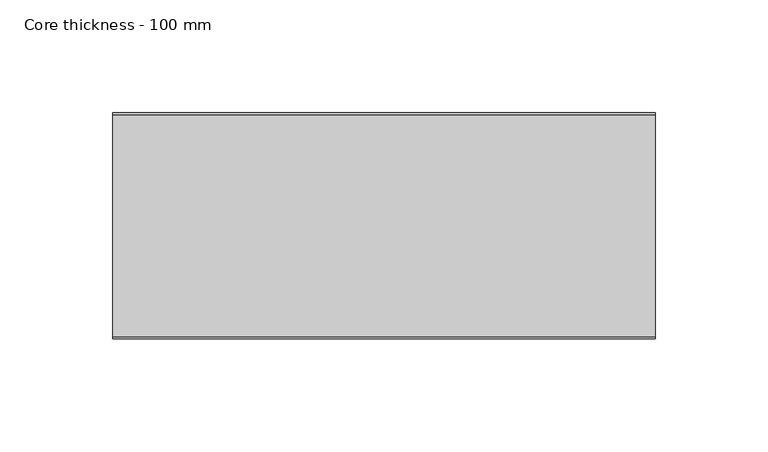
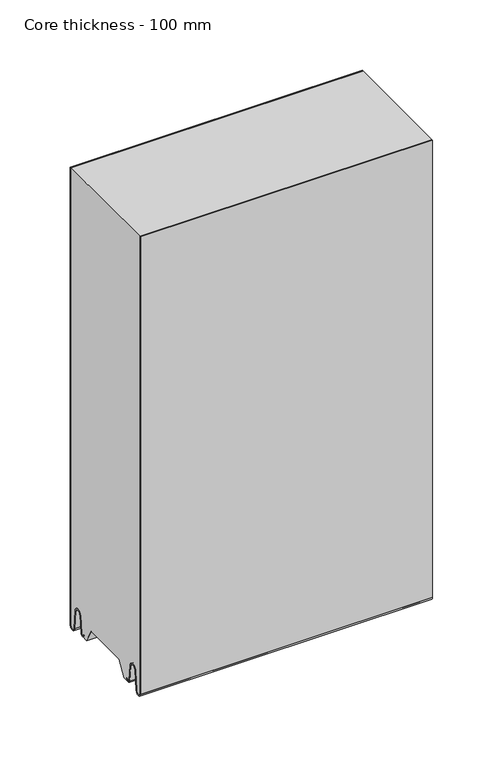
"""IFC4 building model written with IfcOpenShell, lengths in millimetres: plate geometry, Core thickness - 100 mm."""

from ifc_helpers import new_model, si_unit, frame, origin, place, context, project, spatial, polyline, circle_curve, source, transform, mapped, element, save
from ifc_brep_helpers import plane_surface, cylinder_surface, revolved_surface, advanced_brep


def core_thickness_100_mm_86f508b5(model_context):
    return source(origin(), model_context, "Body", "AdvancedBrep", [
        advanced_brep(
        [(119.9999998, -99.9996949, 2.9900682), (119.9999998, -93.81449, 2.6875612), (119.9999998, -92.197116, 19.1828169), (119.9999998, -89.1776715, 21.8898782), (119.9999998, -86.1582271, 19.1828169), (119.9999998, -84.7725998, 5.0510966), (119.9999998, -80.3830995, 5.265779), (119.9999998, -81.1830995, 5.265779), (119.9999998, -83.9764178, 5.1291629), (119.9999998, -85.3620451, 19.2608832), (119.9999998, -89.1776715, 22.6899182), (119.9999998, -92.9932979, 19.2608832), (119.9999998, -94.6106719, 2.7656275), (119.9999998, -99.1996949, 2.9900682), (119.9999998, -99.2, 400.0), (119.9999998, -99.9996949, 400.0), (-119.9999998, -99.1996949, 2.9900682), (-119.9999998, -94.6106719, 2.7656275), (-119.9999998, -92.9932979, 19.2608832), (-119.9999998, -89.1776715, 22.6899182), (-119.9999998, -85.3620451, 19.2608832), (-119.9999998, -83.9764178, 5.1291629), (-119.9999998, -81.1830995, 5.265779), (-119.9999998, -80.3830995, 5.265779), (-119.9999998, -84.7725998, 5.0510966), (-119.9999998, -86.1582271, 19.1828169), (-119.9999998, -89.1776715, 21.8898782), (-119.9999998, -92.197116, 19.1828169), (-119.9999998, -93.81449, 2.6875612), (-119.9999998, -99.9996949, 2.9900682), (-119.9999998, -99.9996949, 400.0), (-119.9999998, -99.2, 400.0)],
        [
            (0, 1, circle_curve(frame((119.9999998, -96.8996949, 2.9900682), z_axis=(1.0, 0.0, 0.0), x_axis=(0.0, 0.0, -1.0)), 3.1)),
            (1, 2),
            (2, 3, circle_curve(frame((119.9999998, -89.2114338, 18.8900682), z_axis=(-1.0, 0.0, 0.0), x_axis=(0.0, 0.0, -1.0)), 3.0)),
            (3, 4, circle_curve(frame((119.9999998, -89.1439093, 18.8900682), z_axis=(-1.0, 0.0, 0.0), x_axis=(0.0, 0.0, -1.0)), 3.0)),
            (4, 5),
            (5, 6, circle_curve(frame((119.9999998, -82.5830995, 5.265779), z_axis=(1.0, 0.0, 0.0), x_axis=(0.0, 0.0, -1.0)), 2.2)),
            (6, 7),
            (7, 8, circle_curve(frame((119.9999998, -82.5830995, 5.265779), z_axis=(-1.0, 0.0, 0.0), x_axis=(0.0, 0.0, -1.0)), 1.4)),
            (8, 9),
            (9, 10, circle_curve(frame((119.9999998, -89.1439093, 18.8900682), z_axis=(1.0, 0.0, 0.0), x_axis=(0.0, 0.0, -1.0)), 3.8)),
            (10, 11, circle_curve(frame((119.9999998, -89.2114338, 18.8900682), z_axis=(1.0, 0.0, 0.0), x_axis=(0.0, 0.0, -1.0)), 3.8)),
            (11, 12),
            (12, 13, circle_curve(frame((119.9999998, -96.8996949, 2.9900682), z_axis=(-1.0, 0.0, 0.0), x_axis=(0.0, 0.0, -1.0)), 2.3)),
            (13, 14),
            (14, 15),
            (15, 0),
            (16, 17, circle_curve(frame((-119.9999998, -96.8996949, 2.9900682), z_axis=(1.0, 0.0, 0.0), x_axis=(0.0, 0.0, -1.0)), 2.3)),
            (17, 18),
            (18, 19, circle_curve(frame((-119.9999998, -89.2114338, 18.8900682), z_axis=(-1.0, 0.0, 0.0), x_axis=(0.0, 0.0, -1.0)), 3.8)),
            (19, 20, circle_curve(frame((-119.9999998, -89.1439093, 18.8900682), z_axis=(-1.0, 0.0, 0.0), x_axis=(0.0, 0.0, -1.0)), 3.8)),
            (20, 21),
            (21, 22, circle_curve(frame((-119.9999998, -82.5830995, 5.265779), z_axis=(1.0, 0.0, 0.0), x_axis=(0.0, 0.0, -1.0)), 1.4)),
            (22, 23),
            (23, 24, circle_curve(frame((-119.9999998, -82.5830995, 5.265779), z_axis=(-1.0, 0.0, 0.0), x_axis=(0.0, 0.0, -1.0)), 2.2)),
            (24, 25),
            (25, 26, circle_curve(frame((-119.9999998, -89.1439093, 18.8900682), z_axis=(1.0, 0.0, 0.0), x_axis=(0.0, 0.0, -1.0)), 3.0)),
            (26, 27, circle_curve(frame((-119.9999998, -89.2114338, 18.8900682), z_axis=(1.0, 0.0, 0.0), x_axis=(0.0, 0.0, -1.0)), 3.0)),
            (27, 28),
            (28, 29, circle_curve(frame((-119.9999998, -96.8996949, 2.9900682), z_axis=(-1.0, 0.0, 0.0), x_axis=(0.0, 0.0, -1.0)), 3.1)),
            (29, 30),
            (30, 31),
            (31, 16),
            (13, 16),
            (31, 14),
            (29, 0),
            (15, 30),
            (12, 17),
            (11, 18),
            (10, 19),
            (9, 20),
            (8, 21),
            (7, 22),
            (6, 23),
            (5, 24),
            (4, 25),
            (3, 26),
            (2, 27),
            (1, 28),
        ],
        [
            plane_surface(frame((119.9999998, -100.0, 0.0), z_axis=(1.0, 0.0, 0.0), x_axis=(0.0, 1.0, 0.0))),
            plane_surface(frame((-119.9999998, -100.0, 0.0), z_axis=(-1.0, 0.0, 0.0), x_axis=(0.0, 1.0, 0.0))),
            plane_surface(frame((119.9999998, -99.2, 2.9900682), z_axis=(0.0, 1.0, 0.0), x_axis=(-1.0, 0.0, 0.0))),
            plane_surface(frame((119.9999998, -99.9996949, 1093.8000005), z_axis=(0.0, -1.0, 0.0), x_axis=(-1.0, 0.0, 0.0))),
            revolved_surface(polyline([(-119.9999998, -96.8996949, 0.6900682000000002), (119.9999998, -96.8996949, 0.6900682000000002)]), (119.9999998, -96.8996949, 2.9900682), (-1.0, 0.0, 0.0)),
            plane_surface(frame((119.9999998, -92.9932979, 19.2608832), z_axis=(0.0, -0.9952273999818314, 0.09758289975914787), x_axis=(-1.0, 0.0, 0.0))),
            cylinder_surface(frame((119.9999998, -89.2114338, 18.8900682), z_axis=(1.0, 0.0, 0.0), x_axis=(0.0, 0.0, -1.0)), 3.8),
            cylinder_surface(frame((119.9999998, -89.1439093, 18.8900682), z_axis=(1.0, 0.0, 0.0), x_axis=(0.0, 0.0, -1.0)), 3.8),
            plane_surface(frame((119.9999998, -83.9764178, 5.1291629), z_axis=(0.0, 0.9952273999818297, 0.09758289975916531), x_axis=(-1.0, 0.0, 0.0))),
            revolved_surface(polyline([(-119.9999998, -82.5830995, 3.8657790000000003), (119.9999998, -82.5830995, 3.8657790000000003)]), (119.9999998, -82.5830995, 5.265779), (-1.0, 0.0, 0.0)),
            plane_surface(frame((119.9999998, -80.3830995, 5.265779), z_axis=(0.0, 0.0, 1.0), x_axis=(-1.0, 0.0, 0.0))),
            cylinder_surface(frame((119.9999998, -82.5830995, 5.265779), z_axis=(1.0, 0.0, 0.0), x_axis=(0.0, 0.0, -1.0)), 2.2),
            plane_surface(frame((119.9999998, -86.1582271, 19.1828169), z_axis=(0.0, -0.9952273999818296, -0.09758289975916527), x_axis=(-1.0, 0.0, 0.0))),
            revolved_surface(polyline([(-119.9999998, -89.1439093, 15.890068200000002), (119.9999998, -89.1439093, 15.890068200000002)]), (119.9999998, -89.1439093, 18.8900682), (-1.0, 0.0, 0.0)),
            revolved_surface(polyline([(-119.9999998, -89.2114338, 15.890068200000002), (119.9999998, -89.2114338, 15.890068200000002)]), (119.9999998, -89.2114338, 18.8900682), (-1.0, 0.0, 0.0)),
            plane_surface(frame((119.9999998, -93.81449, 2.6875612), z_axis=(0.0, 0.9952273999818314, -0.09758289975914787), x_axis=(-1.0, 0.0, 0.0))),
            cylinder_surface(frame((119.9999998, -96.8996949, 2.9900682), z_axis=(1.0, 0.0, 0.0), x_axis=(0.0, 0.0, -1.0)), 3.1),
            plane_surface(frame((-119.9999998, 134.0533409, 400.0), z_axis=(0.0, 0.0, 1.0), x_axis=(1.0, 0.0, 0.0))),
        ],
        [
            (0, [[1, 2, 3, 4, 5, 6, 7, 8, 9, 10, 11, 12, 13, 14, 15, 16]]),
            (1, [[17, 18, 19, 20, 21, 22, 23, 24, 25, 26, 27, 28, 29, 30, 31, 32]]),
            (2, [[33, -32, 34, -14]]),
            (3, [[35, -16, 36, -30]]),
            (4, [[-13, 37, -17, -33]]),
            (5, [[-12, 38, -18, -37]]),
            (6, [[-11, 39, -19, -38]]),
            (7, [[-10, 40, -20, -39]]),
            (8, [[-9, 41, -21, -40]]),
            (9, [[-8, 42, -22, -41]]),
            (10, [[-7, 43, -23, -42]]),
            (11, [[-6, 44, -24, -43]]),
            (12, [[-5, 45, -25, -44]]),
            (13, [[-4, 46, -26, -45]]),
            (14, [[-3, 47, -27, -46]]),
            (15, [[-2, 48, -28, -47]]),
            (16, [[-1, -35, -29, -48]]),
            (17, [[-15, -34, -31, -36]]),
        ],
    ),
        advanced_brep(
        [(119.9999998, -0.8003051, 2.9900682), (119.9999998, -5.3893281, 2.7656275), (119.9999998, -7.0067021, 19.2608832), (119.9999998, -10.8223285, 22.6899182), (119.9999998, -14.6379549, 19.2608832), (119.9999998, -16.0235822, 5.1291629), (119.9999998, -18.8169005, 5.265779), (119.9999998, -19.6169005, 5.265779), (119.9999998, -15.2274002, 5.0510966), (119.9999998, -13.8417729, 19.1828169), (119.9999998, -10.8223285, 21.8898782), (119.9999998, -7.802884, 19.1828169), (119.9999998, -6.18551, 2.6875612), (119.9999998, -0.0003051, 2.9900682), (119.9999998, -0.0003051, 400.0), (119.9999998, -0.8, 400.0), (-119.9999998, -0.0003051, 2.9900682), (-119.9999998, -6.18551, 2.6875612), (-119.9999998, -7.802884, 19.1828169), (-119.9999998, -10.8223285, 21.8898782), (-119.9999998, -13.8417729, 19.1828169), (-119.9999998, -15.2274002, 5.0510966), (-119.9999998, -19.6169005, 5.265779), (-119.9999998, -18.8169005, 5.265779), (-119.9999998, -16.0235822, 5.1291629), (-119.9999998, -14.6379549, 19.2608832), (-119.9999998, -10.8223285, 22.6899182), (-119.9999998, -7.0067021, 19.2608832), (-119.9999998, -5.3893281, 2.7656275), (-119.9999998, -0.8003051, 2.9900682), (-119.9999998, -0.8, 400.0), (-119.9999998, -0.0003051, 400.0)],
        [
            (0, 1, circle_curve(frame((119.9999998, -3.1003051, 2.9900682), z_axis=(-1.0, 0.0, 0.0), x_axis=(0.0, 0.0, -1.0)), 2.3)),
            (1, 2),
            (2, 3, circle_curve(frame((119.9999998, -10.7885662, 18.8900682), z_axis=(1.0, 0.0, 0.0), x_axis=(0.0, 0.0, -1.0)), 3.8)),
            (3, 4, circle_curve(frame((119.9999998, -10.8560907, 18.8900682), z_axis=(1.0, 0.0, 0.0), x_axis=(0.0, 0.0, -1.0)), 3.8)),
            (4, 5),
            (5, 6, circle_curve(frame((119.9999998, -17.4169005, 5.265779), z_axis=(-1.0, 0.0, 0.0), x_axis=(0.0, 0.0, -1.0)), 1.4)),
            (6, 7),
            (7, 8, circle_curve(frame((119.9999998, -17.4169005, 5.265779), z_axis=(1.0, 0.0, 0.0), x_axis=(0.0, 0.0, -1.0)), 2.2)),
            (8, 9),
            (9, 10, circle_curve(frame((119.9999998, -10.8560907, 18.8900682), z_axis=(-1.0, 0.0, 0.0), x_axis=(0.0, 0.0, -1.0)), 3.0)),
            (10, 11, circle_curve(frame((119.9999998, -10.7885662, 18.8900682), z_axis=(-1.0, 0.0, 0.0), x_axis=(0.0, 0.0, -1.0)), 3.0)),
            (11, 12),
            (12, 13, circle_curve(frame((119.9999998, -3.1003051, 2.9900682), z_axis=(1.0, 0.0, 0.0), x_axis=(0.0, 0.0, -1.0)), 3.1)),
            (13, 14),
            (14, 15),
            (15, 0),
            (16, 17, circle_curve(frame((-119.9999998, -3.1003051, 2.9900682), z_axis=(-1.0, 0.0, 0.0), x_axis=(0.0, 0.0, -1.0)), 3.1)),
            (17, 18),
            (18, 19, circle_curve(frame((-119.9999998, -10.7885662, 18.8900682), z_axis=(1.0, 0.0, 0.0), x_axis=(0.0, 0.0, -1.0)), 3.0)),
            (19, 20, circle_curve(frame((-119.9999998, -10.8560907, 18.8900682), z_axis=(1.0, 0.0, 0.0), x_axis=(0.0, 0.0, -1.0)), 3.0)),
            (20, 21),
            (21, 22, circle_curve(frame((-119.9999998, -17.4169005, 5.265779), z_axis=(-1.0, 0.0, 0.0), x_axis=(0.0, 0.0, -1.0)), 2.2)),
            (22, 23),
            (23, 24, circle_curve(frame((-119.9999998, -17.4169005, 5.265779), z_axis=(1.0, 0.0, 0.0), x_axis=(0.0, 0.0, -1.0)), 1.4)),
            (24, 25),
            (25, 26, circle_curve(frame((-119.9999998, -10.8560907, 18.8900682), z_axis=(-1.0, 0.0, 0.0), x_axis=(0.0, 0.0, -1.0)), 3.8)),
            (26, 27, circle_curve(frame((-119.9999998, -10.7885662, 18.8900682), z_axis=(-1.0, 0.0, 0.0), x_axis=(0.0, 0.0, -1.0)), 3.8)),
            (27, 28),
            (28, 29, circle_curve(frame((-119.9999998, -3.1003051, 2.9900682), z_axis=(1.0, 0.0, 0.0), x_axis=(0.0, 0.0, -1.0)), 2.3)),
            (29, 30),
            (30, 31),
            (31, 16),
            (13, 16),
            (31, 14),
            (29, 0),
            (15, 30),
            (12, 17),
            (11, 18),
            (10, 19),
            (9, 20),
            (8, 21),
            (7, 22),
            (6, 23),
            (5, 24),
            (4, 25),
            (3, 26),
            (2, 27),
            (1, 28),
        ],
        [
            plane_surface(frame((119.9999998, 0.0, 0.0), z_axis=(1.0, 0.0, 0.0), x_axis=(0.0, -1.0, 0.0))),
            plane_surface(frame((-119.9999998, 0.0, 0.0), z_axis=(-1.0, 0.0, 0.0), x_axis=(0.0, -1.0, 0.0))),
            plane_surface(frame((119.9999998, -0.0003051, 2.9900682), z_axis=(0.0, 1.0, 0.0), x_axis=(-1.0, 0.0, 0.0))),
            plane_surface(frame((119.9999998, -0.8, 1093.8000005), z_axis=(0.0, -1.0, 0.0), x_axis=(-1.0, 0.0, 0.0))),
            cylinder_surface(frame((119.9999998, -3.1003051, 2.9900682), z_axis=(1.0, 0.0, 0.0), x_axis=(0.0, 0.0, -1.0)), 3.1),
            plane_surface(frame((119.9999998, -7.802884, 19.1828169), z_axis=(0.0, -0.9952273999818314, -0.09758289975914787), x_axis=(-1.0, 0.0, 0.0))),
            revolved_surface(polyline([(-119.9999998, -10.7885662, 15.890068200000002), (119.9999998, -10.7885662, 15.890068200000002)]), (119.9999998, -10.7885662, 18.8900682), (-1.0, 0.0, 0.0)),
            revolved_surface(polyline([(-119.9999998, -10.8560907, 15.890068200000002), (119.9999998, -10.8560907, 15.890068200000002)]), (119.9999998, -10.8560907, 18.8900682), (-1.0, 0.0, 0.0)),
            plane_surface(frame((119.9999998, -15.2274002, 5.0510966), z_axis=(0.0, 0.9952273999818296, -0.09758289975916527), x_axis=(-1.0, 0.0, 0.0))),
            cylinder_surface(frame((119.9999998, -17.4169005, 5.265779), z_axis=(1.0, 0.0, 0.0), x_axis=(0.0, 0.0, -1.0)), 2.2),
            plane_surface(frame((119.9999998, -18.8169005, 5.265779), z_axis=(0.0, 0.0, 1.0), x_axis=(-1.0, 0.0, 0.0))),
            revolved_surface(polyline([(-119.9999998, -17.4169005, 3.8657790000000003), (119.9999998, -17.4169005, 3.8657790000000003)]), (119.9999998, -17.4169005, 5.265779), (-1.0, 0.0, 0.0)),
            plane_surface(frame((119.9999998, -14.6379549, 19.2608832), z_axis=(0.0, -0.9952273999818297, 0.09758289975916531), x_axis=(-1.0, 0.0, 0.0))),
            cylinder_surface(frame((119.9999998, -10.8560907, 18.8900682), z_axis=(1.0, 0.0, 0.0), x_axis=(0.0, 0.0, -1.0)), 3.8),
            cylinder_surface(frame((119.9999998, -10.7885662, 18.8900682), z_axis=(1.0, 0.0, 0.0), x_axis=(0.0, 0.0, -1.0)), 3.8),
            plane_surface(frame((119.9999998, -5.3893281, 2.7656275), z_axis=(0.0, 0.9952273999818314, 0.09758289975914787), x_axis=(-1.0, 0.0, 0.0))),
            revolved_surface(polyline([(-119.9999998, -3.1003051, 0.6900682000000002), (119.9999998, -3.1003051, 0.6900682000000002)]), (119.9999998, -3.1003051, 2.9900682), (-1.0, 0.0, 0.0)),
            plane_surface(frame((-119.9999998, 134.0533409, 400.0), z_axis=(0.0, 0.0, 1.0), x_axis=(1.0, 0.0, 0.0))),
        ],
        [
            (0, [[1, 2, 3, 4, 5, 6, 7, 8, 9, 10, 11, 12, 13, 14, 15, 16]]),
            (1, [[17, 18, 19, 20, 21, 22, 23, 24, 25, 26, 27, 28, 29, 30, 31, 32]]),
            (2, [[33, -32, 34, -14]]),
            (3, [[35, -16, 36, -30]]),
            (4, [[-13, 37, -17, -33]]),
            (5, [[-12, 38, -18, -37]]),
            (6, [[-11, 39, -19, -38]]),
            (7, [[-10, 40, -20, -39]]),
            (8, [[-9, 41, -21, -40]]),
            (9, [[-8, 42, -22, -41]]),
            (10, [[-7, 43, -23, -42]]),
            (11, [[-6, 44, -24, -43]]),
            (12, [[-5, 45, -25, -44]]),
            (13, [[-4, 46, -26, -45]]),
            (14, [[-3, 47, -27, -46]]),
            (15, [[-2, 48, -28, -47]]),
            (16, [[-1, -35, -29, -48]]),
            (17, [[-15, -34, -31, -36]]),
        ],
    ),
        advanced_brep(
        [(119.9999998, -69.873448, 15.0417681), (119.9999998, -30.126552, 15.0417681), (119.9999998, -23.4086055, 3.0684055), (119.9999998, -17.4169005, 3.0684055), (119.9999998, -19.6169005, 5.265779), (119.9999998, -18.8169005, 5.265779), (119.9999998, -16.0235822, 5.1291629), (119.9999998, -14.6379549, 19.2608832), (119.9999998, -10.8223285, 22.6899182), (119.9999998, -7.0067021, 19.2608832), (119.9999998, -5.3893281, 2.7656275), (119.9999998, -0.8003051, 2.9900682), (119.9999998, -0.8, 400.0), (119.9999998, -99.2, 400.0), (119.9999998, -99.2, 2.9900682), (119.9999998, -94.6106719, 2.7656275), (119.9999998, -92.9932979, 19.2608832), (119.9999998, -89.1776715, 22.6899182), (119.9999998, -85.3620451, 19.2608832), (119.9999998, -83.9764178, 5.1291629), (119.9999998, -81.1830995, 5.265779), (119.9999998, -80.3830995, 5.265779), (119.9999998, -82.5830995, 3.065779), (119.9999998, -76.5913945, 3.0684055), (-119.9999998, -30.126552, 15.0417681), (-119.9999998, -69.873448, 15.0417681), (-119.9999998, -76.5913945, 3.0684055), (-119.9999998, -82.5830995, 3.0684055), (-119.9999998, -80.3830995, 5.265779), (-119.9999998, -81.1830995, 5.265779), (-119.9999998, -83.9764178, 5.1291629), (-119.9999998, -85.3620451, 19.2608832), (-119.9999998, -89.1776715, 22.6899182), (-119.9999998, -92.9932979, 19.2608832), (-119.9999998, -94.6106719, 2.7656275), (-119.9999998, -99.1996949, 2.9900682), (-119.9999998, -99.2, 400.0), (-119.9999998, -0.8, 400.0), (-119.9999998, -0.8, 2.9900682), (-119.9999998, -5.3893281, 2.7656275), (-119.9999998, -7.0067021, 19.2608832), (-119.9999998, -10.8223285, 22.6899182), (-119.9999998, -14.6379549, 19.2608832), (-119.9999998, -16.0235822, 5.1291629), (-119.9999998, -18.8169005, 5.265779), (-119.9999998, -19.6169005, 5.265779), (-119.9999998, -17.4169005, 3.065779), (-119.9999998, -23.4086055, 3.0684055)],
        [
            (0, 1),
            (1, 2),
            (2, 3),
            (3, 4, circle_curve(frame((119.9999998, -17.4169005, 5.265779), z_axis=(-1.0, 0.0, 0.0), x_axis=(0.0, 0.0, -1.0)), 2.2)),
            (4, 5),
            (5, 6, circle_curve(frame((119.9999998, -17.4169005, 5.265779), z_axis=(1.0, 0.0, 0.0), x_axis=(0.0, 0.0, -1.0)), 1.4)),
            (6, 7),
            (7, 8, circle_curve(frame((119.9999998, -10.8560907, 18.8900682), z_axis=(-1.0, 0.0, 0.0), x_axis=(0.0, 0.0, -1.0)), 3.8)),
            (8, 9, circle_curve(frame((119.9999998, -10.7885662, 18.8900682), z_axis=(-1.0, 0.0, 0.0), x_axis=(0.0, 0.0, -1.0)), 3.8)),
            (9, 10),
            (10, 11, circle_curve(frame((119.9999998, -3.1003051, 2.9900682), z_axis=(1.0, 0.0, 0.0), x_axis=(0.0, 0.0, -1.0)), 2.3)),
            (11, 12),
            (12, 13),
            (13, 14),
            (14, 15, circle_curve(frame((119.9999998, -96.8996949, 2.9900682), z_axis=(1.0, 0.0, 0.0), x_axis=(0.0, 0.0, -1.0)), 2.3)),
            (15, 16),
            (16, 17, circle_curve(frame((119.9999998, -89.2114338, 18.8900682), z_axis=(-1.0, 0.0, 0.0), x_axis=(0.0, 0.0, -1.0)), 3.8)),
            (17, 18, circle_curve(frame((119.9999998, -89.1439093, 18.8900682), z_axis=(-1.0, 0.0, 0.0), x_axis=(0.0, 0.0, -1.0)), 3.8)),
            (18, 19),
            (19, 20, circle_curve(frame((119.9999998, -82.5830995, 5.265779), z_axis=(1.0, 0.0, 0.0), x_axis=(0.0, 0.0, -1.0)), 1.4)),
            (20, 21),
            (21, 22, circle_curve(frame((119.9999998, -82.5830995, 5.265779), z_axis=(-1.0, 0.0, 0.0), x_axis=(0.0, 0.0, -1.0)), 2.2)),
            (22, 23),
            (23, 0),
            (24, 25),
            (25, 26),
            (26, 27),
            (27, 28, circle_curve(frame((-119.9999998, -82.5830995, 5.265779), z_axis=(1.0, 0.0, 0.0), x_axis=(0.0, 0.0, -1.0)), 2.2)),
            (28, 29),
            (29, 30, circle_curve(frame((-119.9999998, -82.5830995, 5.265779), z_axis=(-1.0, 0.0, 0.0), x_axis=(0.0, 0.0, -1.0)), 1.4)),
            (30, 31),
            (31, 32, circle_curve(frame((-119.9999998, -89.1439093, 18.8900682), z_axis=(1.0, 0.0, 0.0), x_axis=(0.0, 0.0, -1.0)), 3.8)),
            (32, 33, circle_curve(frame((-119.9999998, -89.2114338, 18.8900682), z_axis=(1.0, 0.0, 0.0), x_axis=(0.0, 0.0, -1.0)), 3.8)),
            (33, 34),
            (34, 35, circle_curve(frame((-119.9999998, -96.8996949, 2.9900682), z_axis=(-1.0, 0.0, 0.0), x_axis=(0.0, 0.0, -1.0)), 2.3)),
            (35, 36),
            (36, 37),
            (37, 38),
            (38, 39, circle_curve(frame((-119.9999998, -3.1003051, 2.9900682), z_axis=(-1.0, 0.0, 0.0), x_axis=(0.0, 0.0, -1.0)), 2.3)),
            (39, 40),
            (40, 41, circle_curve(frame((-119.9999998, -10.7885662, 18.8900682), z_axis=(1.0, 0.0, 0.0), x_axis=(0.0, 0.0, -1.0)), 3.8)),
            (41, 42, circle_curve(frame((-119.9999998, -10.8560907, 18.8900682), z_axis=(1.0, 0.0, 0.0), x_axis=(0.0, 0.0, -1.0)), 3.8)),
            (42, 43),
            (43, 44, circle_curve(frame((-119.9999998, -17.4169005, 5.265779), z_axis=(-1.0, 0.0, 0.0), x_axis=(0.0, 0.0, -1.0)), 1.4)),
            (44, 45),
            (45, 46, circle_curve(frame((-119.9999998, -17.4169005, 5.265779), z_axis=(1.0, 0.0, 0.0), x_axis=(0.0, 0.0, -1.0)), 2.2)),
            (46, 47),
            (47, 24),
            (11, 38),
            (37, 12),
            (1, 24),
            (47, 2),
            (0, 25),
            (23, 26),
            (46, 3),
            (22, 27),
            (45, 4),
            (44, 5),
            (43, 6),
            (42, 7),
            (41, 8),
            (40, 9),
            (39, 10),
            (35, 14),
            (13, 36),
            (34, 15),
            (33, 16),
            (32, 17),
            (31, 18),
            (30, 19),
            (29, 20),
            (28, 21),
        ],
        [
            plane_surface(frame((119.9999998, 0.0, 0.0), z_axis=(1.0, 0.0, 0.0), x_axis=(0.0, -1.0, 0.0))),
            plane_surface(frame((-119.9999998, 0.0, 0.0), z_axis=(-1.0, 0.0, 0.0), x_axis=(0.0, -1.0, 0.0))),
            plane_surface(frame((249.9999998, -0.8, 1093.8000005), z_axis=(0.0, 1.0, 0.0), x_axis=(-1.0, 0.0, 0.0))),
            plane_surface(frame((119.9999998, -30.126552, 15.0417681), z_axis=(0.0, -0.8721062992196836, -0.4893164649399687), x_axis=(-1.0, 0.0, 0.0))),
            plane_surface(frame((119.9999998, -69.873448, 15.0417681), z_axis=(0.0, 0.0, -1.0), x_axis=(-1.0, 0.0, 0.0))),
            plane_surface(frame((119.9999998, -76.8190247, 2.6627014), z_axis=(0.0, 0.8721062992196862, -0.4893164649399642), x_axis=(-1.0, 0.0, 0.0))),
            plane_surface(frame((-119.9999998, -82.5830995, 3.0684055), z_axis=(0.0, 0.0, -1.0), x_axis=(1.0, 0.0, 0.0))),
            revolved_surface(polyline([(119.99999980000001, -17.4169005, 3.065779), (-119.99999980000001, -17.4169005, 3.065779)]), (249.9999998, -17.4169005, 5.265779), (1.0, 0.0, 0.0)),
            plane_surface(frame((249.9999998, -18.8169005, 5.265779), z_axis=(0.0, 0.0, -1.0), x_axis=(-1.0, 0.0, 0.0))),
            cylinder_surface(frame((249.9999998, -17.4169005, 5.265779), z_axis=(-1.0, 0.0, 0.0), x_axis=(0.0, 0.0, -1.0)), 1.4),
            plane_surface(frame((249.9999998, -14.6379549, 19.2608832), z_axis=(0.0, 0.9952273999818297, -0.09758289975916531), x_axis=(-1.0, 0.0, 0.0))),
            revolved_surface(polyline([(119.99999980000001, -10.8560907, 15.090068200000001), (-119.99999980000001, -10.8560907, 15.090068200000001)]), (249.9999998, -10.8560907, 18.8900682), (1.0, 0.0, 0.0)),
            revolved_surface(polyline([(119.99999980000001, -10.7885662, 15.090068200000001), (-119.99999980000001, -10.7885662, 15.090068200000001)]), (249.9999998, -10.7885662, 18.8900682), (1.0, 0.0, 0.0)),
            plane_surface(frame((249.9999998, -5.3893281, 2.7656275), z_axis=(0.0, -0.9952273999818314, -0.09758289975914787), x_axis=(-1.0, 0.0, 0.0))),
            cylinder_surface(frame((249.9999998, -3.1003051, 2.9900682), z_axis=(-1.0, 0.0, 0.0), x_axis=(0.0, 0.0, -1.0)), 2.3),
            plane_surface(frame((249.9999998, -99.2, 2.9900682), z_axis=(0.0, -1.0, 0.0), x_axis=(-1.0, 0.0, 0.0))),
            cylinder_surface(frame((249.9999998, -96.8996949, 2.9900682), z_axis=(-1.0, 0.0, 0.0), x_axis=(0.0, 0.0, -1.0)), 2.3),
            plane_surface(frame((249.9999998, -92.9932979, 19.2608832), z_axis=(0.0, 0.9952273999818314, -0.09758289975914787), x_axis=(-1.0, 0.0, 0.0))),
            revolved_surface(polyline([(119.99999980000001, -89.2114338, 15.090068200000001), (-119.99999980000001, -89.2114338, 15.090068200000001)]), (249.9999998, -89.2114338, 18.8900682), (1.0, 0.0, 0.0)),
            revolved_surface(polyline([(119.99999980000001, -89.1439093, 15.090068200000001), (-119.99999980000001, -89.1439093, 15.090068200000001)]), (249.9999998, -89.1439093, 18.8900682), (1.0, 0.0, 0.0)),
            plane_surface(frame((249.9999998, -83.9764178, 5.1291629), z_axis=(0.0, -0.9952273999818297, -0.09758289975916531), x_axis=(-1.0, 0.0, 0.0))),
            cylinder_surface(frame((249.9999998, -82.5830995, 5.265779), z_axis=(-1.0, 0.0, 0.0), x_axis=(0.0, 0.0, -1.0)), 1.4),
            plane_surface(frame((249.9999998, -80.3830995, 5.265779), z_axis=(0.0, 0.0, -1.0), x_axis=(-1.0, 0.0, 0.0))),
            revolved_surface(polyline([(119.99999980000001, -82.5830995, 3.065779), (-119.99999980000001, -82.5830995, 3.065779)]), (249.9999998, -82.5830995, 5.265779), (1.0, 0.0, 0.0)),
            plane_surface(frame((-119.9999998, 134.0533409, 400.0), z_axis=(0.0, 0.0, 1.0), x_axis=(1.0, 0.0, 0.0))),
        ],
        [
            (0, [[1, 2, 3, 4, 5, 6, 7, 8, 9, 10, 11, 12, 13, 14, 15, 16, 17, 18, 19, 20, 21, 22, 23, 24]]),
            (1, [[25, 26, 27, 28, 29, 30, 31, 32, 33, 34, 35, 36, 37, 38, 39, 40, 41, 42, 43, 44, 45, 46, 47, 48]]),
            (2, [[49, -38, 50, -12]]),
            (3, [[51, -48, 52, -2]]),
            (4, [[-1, 53, -25, -51]]),
            (5, [[-53, -24, 54, -26]]),
            (6, [[-3, -52, -47, 55]]),
            (6, [[-23, 56, -27, -54]]),
            (7, [[57, -4, -55, -46]]),
            (8, [[-57, -45, 58, -5]]),
            (9, [[-58, -44, 59, -6]]),
            (10, [[-59, -43, 60, -7]]),
            (11, [[-60, -42, 61, -8]]),
            (12, [[-61, -41, 62, -9]]),
            (13, [[-62, -40, 63, -10]]),
            (14, [[-63, -39, -49, -11]]),
            (15, [[64, -14, 65, -36]]),
            (16, [[-64, -35, 66, -15]]),
            (17, [[-66, -34, 67, -16]]),
            (18, [[-67, -33, 68, -17]]),
            (19, [[-68, -32, 69, -18]]),
            (20, [[-69, -31, 70, -19]]),
            (21, [[-70, -30, 71, -20]]),
            (22, [[-71, -29, 72, -21]]),
            (23, [[-72, -28, -56, -22]]),
            (24, [[-50, -37, -65, -13]]),
        ],
    ),
    ])


if __name__ == "__main__":
    model = new_model("IFC4")
    model_context = context("Model", 3, world=origin())
    ifc_project = project(units=[si_unit("LENGTHUNIT", "METRE", prefix="MILLI")], contexts=[model_context])
    site = spatial("IfcSite", under=ifc_project)
    building = spatial("IfcBuilding", under=site)
    placement = place(None, origin())
    core_thickness_100_mm_shape = core_thickness_100_mm_86f508b5(model_context)
    element("IfcPlate", 1, ObjectType="Core thickness - 100 mm", at=placement, inside=building, context=model_context, shape_type="MappedRepresentation", body=[
        mapped(core_thickness_100_mm_shape, transform((0.0, 0.0, 0.0), x_axis=(1.0, 0.0, 0.0), y_axis=(0.0, 1.0, 0.0), z_axis=(0.0, 0.0, 1.0))),
    ])
    save(model, "model.ifc")
